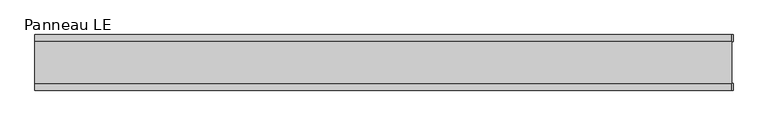
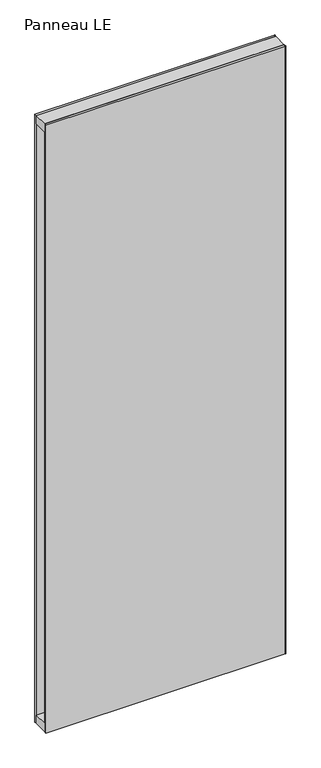
"""IFC4 building model written with IfcOpenShell, lengths in millimetres: plate geometry, Panneau LE."""

from ifc_helpers import new_model, si_unit, frame, origin, origin_with_axes, place, context, project, spatial, polyline, outline, extrude, source, transform, mapped, element, save


def panneau_le_f56fabb7(model_context):
    return source(origin(), model_context, "Body", "SweptSolid", [
        extrude(outline(polyline([(547.9999999, 43.8), (547.9999999, 33.0), (545.9999999, 33.0), (545.9999999, 43.8), (547.9999999, 43.8)])), origin_with_axes(), (0.0, 0.0, 1.0), 2933.0),
        extrude(outline(polyline([(547.9999999, -33.0), (547.9999999, -43.8), (545.9999999, -43.8), (545.9999999, -33.0), (547.9999999, -33.0)])), origin_with_axes(), (0.0, 0.0, 1.0), 2933.0),
        extrude(outline(polyline([(545.9999999, -33.0), (-545.9999999, -33.0), (-545.9999999, 33.0), (545.9999999, 33.0), (545.9999999, -33.0)])), frame((0.0, 0.0, 2893.0), z_axis=(0.0, 0.0, 1.0), x_axis=(1.0, 0.0, 0.0)), (0.0, 0.0, 1.0), 40.0),
        extrude(outline(polyline([(545.9999999, -33.0), (-545.9999999, -33.0), (-545.9999999, 33.0), (545.9999999, 33.0), (545.9999999, -33.0)])), origin_with_axes(), (0.0, 0.0, 1.0), 40.0),
        extrude(outline(polyline([(545.9999999, 33.0), (-545.9999999, 33.0), (-545.9999999, 43.8), (545.9999999, 43.8), (545.9999999, 33.0)])), origin_with_axes(), (0.0, 0.0, 1.0), 2933.0),
        extrude(outline(polyline([(-545.9999999, -43.8), (-545.9999999, -33.0), (545.9999999, -33.0), (545.9999999, -43.8), (-545.9999999, -43.8)])), origin_with_axes(), (0.0, 0.0, 1.0), 2933.0),
    ])


if __name__ == "__main__":
    model = new_model("IFC4")
    model_context = context("Model", 3, world=origin())
    ifc_project = project(units=[si_unit("LENGTHUNIT", "METRE", prefix="MILLI")], contexts=[model_context])
    site = spatial("IfcSite", under=ifc_project)
    building = spatial("IfcBuilding", under=site)
    placement = place(None, origin())
    panneau_le_shape = panneau_le_f56fabb7(model_context)
    element("IfcPlate", 1, ObjectType="Panneau LE", at=placement, inside=building, context=model_context, shape_type="MappedRepresentation", body=[
        mapped(panneau_le_shape, transform((0.0, 0.0, 0.0), x_axis=(1.0, 0.0, 0.0), y_axis=(0.0, 1.0, 0.0), z_axis=(0.0, 0.0, 1.0))),
    ])
    save(model, "model.ifc")
